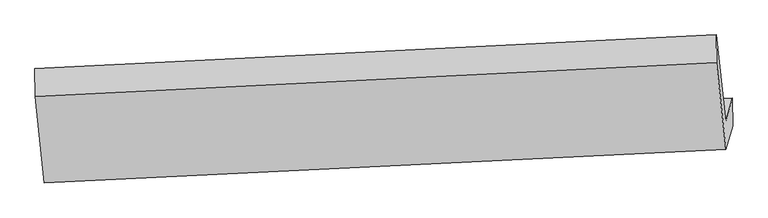
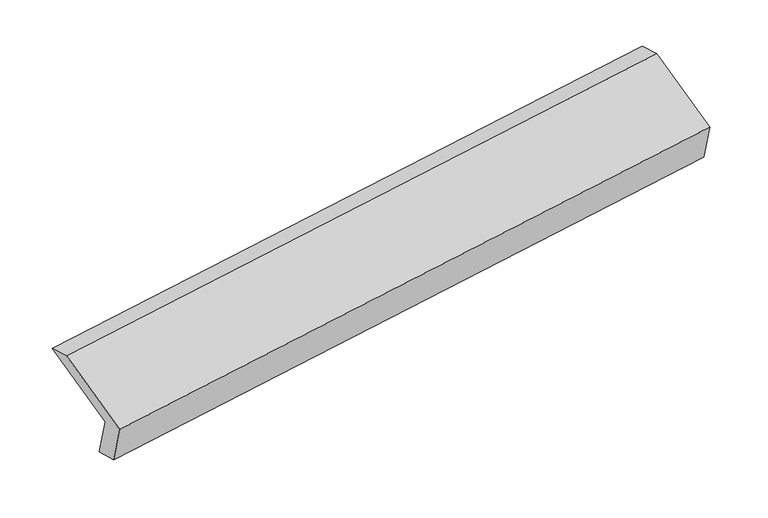
"""IFC4 building model written with IfcOpenShell, lengths in millimetres: proxy geometry."""

from ifc_helpers import new_model, si_unit, origin, place, context, project, spatial, faceted_brep, source, transform, mapped, element, save


def generic_models_8fe9bff2(model_context):
    return source(origin(), model_context, "Body", "Brep", [
        faceted_brep([(-5164.2964686, -1618.7485142, 1226.5437694), (-5210.326949, -1780.9136924, 1589.676765), (-499.7808826, -1547.0120385, 2280.2113147), (-453.7504022, -1384.8468602, 1917.0783191), (-5163.5087966, -1810.5894412, 1279.861697), (-452.9627303, -1576.6877872, 1970.3962468), (-5209.5392771, -1972.7546195, 1642.9946926), (-498.9932107, -1738.8529655, 2333.5292424), (-5274.6473085, -1372.4306134, 1902.8297851), (-564.1012421, -1138.5289594, 2593.3643348), (-5275.4349804, -1180.5896864, 1849.5118575), (-564.888914, -946.6880324, 2540.0464072)], [[[0, 1, 2, 3]], [[4, 0, 3, 5]], [[6, 4, 5, 7]], [[8, 6, 7, 9]], [[10, 8, 9, 11]], [[1, 10, 11, 2]], [[9, 7, 5, 3, 2, 11]], [[1, 0, 4, 6, 8, 10]]]),
    ])


if __name__ == "__main__":
    model = new_model("IFC4")
    model_context = context("Model", 3, world=origin())
    ifc_project = project(units=[si_unit("LENGTHUNIT", "METRE", prefix="MILLI")], contexts=[model_context])
    site = spatial("IfcSite", under=ifc_project)
    building = spatial("IfcBuilding", under=site)
    placement = place(None, origin())
    generic_models_shape = generic_models_8fe9bff2(model_context)
    element("IfcBuildingElementProxy", 1, Name="Generic Models", at=placement, inside=building, context=model_context, shape_type="MappedRepresentation", body=[
        mapped(generic_models_shape, transform((0.0, 0.0, 0.0), x_axis=(1.0, 0.0, 0.0), y_axis=(0.0, 1.0, 0.0), z_axis=(0.0, 0.0, 1.0))),
    ])
    save(model, "model.ifc")
